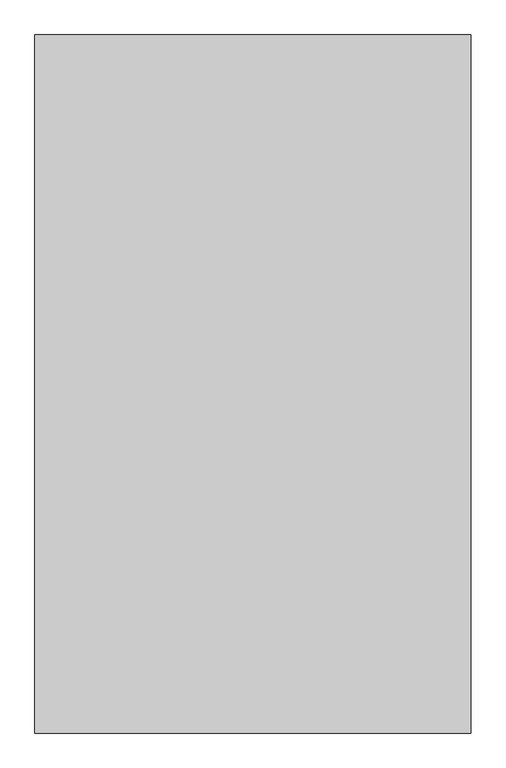
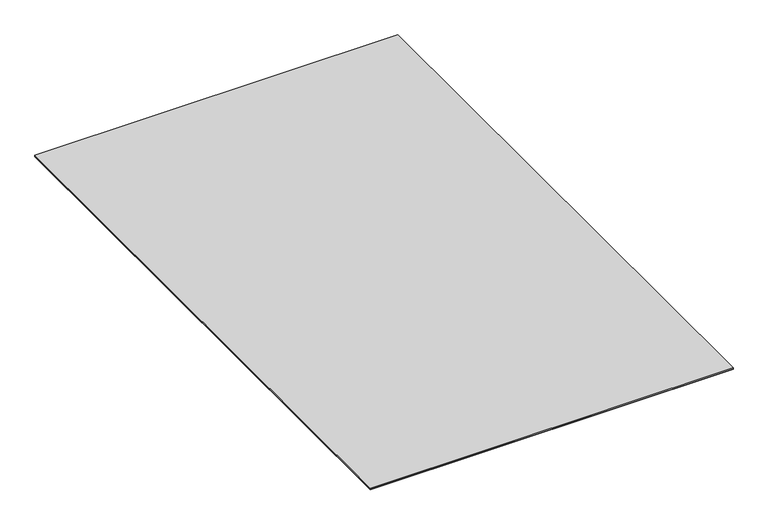
"""IFC4 building model written with IfcOpenShell, lengths in millimetres: proxy geometry."""

from ifc_helpers import new_model, si_unit, frame, origin, origin_with_axes, place, context, project, spatial, polyline, outline, extrude, source, transform, mapped, element, save


def specialty_equipment_6382c6b0(model_context):
    return source(origin(), model_context, "Body", "SweptSolid", [
        extrude(outline(polyline([(762.0, -1219.2), (-762.0, -1219.2), (-762.0, 1219.2), (762.0, 1219.2), (762.0, -1219.2)])), frame((0.0, 0.0, 1.984375), z_axis=(0.0, 0.0, 1.0), x_axis=(1.0, 0.0, 0.0)), (0.0, 0.0, 1.0), 4.7625),
        extrude(outline(polyline([(762.0, 1219.2), (762.0, -1219.2), (-762.0, -1219.2), (-762.0, 1219.2), (762.0, 1219.2)])), origin_with_axes(), (0.0, 0.0, 1.0), 1.984375),
    ])


if __name__ == "__main__":
    model = new_model("IFC4")
    model_context = context("Model", 3, world=origin())
    ifc_project = project(units=[si_unit("LENGTHUNIT", "METRE", prefix="MILLI")], contexts=[model_context])
    site = spatial("IfcSite", under=ifc_project)
    building = spatial("IfcBuilding", under=site)
    placement = place(None, origin())
    specialty_equipment_shape = specialty_equipment_6382c6b0(model_context)
    element("IfcBuildingElementProxy", 1, Name="Specialty Equipment", at=placement, inside=building, context=model_context, shape_type="MappedRepresentation", body=[
        mapped(specialty_equipment_shape, transform((0.0, 0.0, 0.0), x_axis=(1.0, 0.0, 0.0), y_axis=(0.0, 1.0, 0.0), z_axis=(0.0, 0.0, 1.0))),
    ])
    save(model, "model.ifc")
